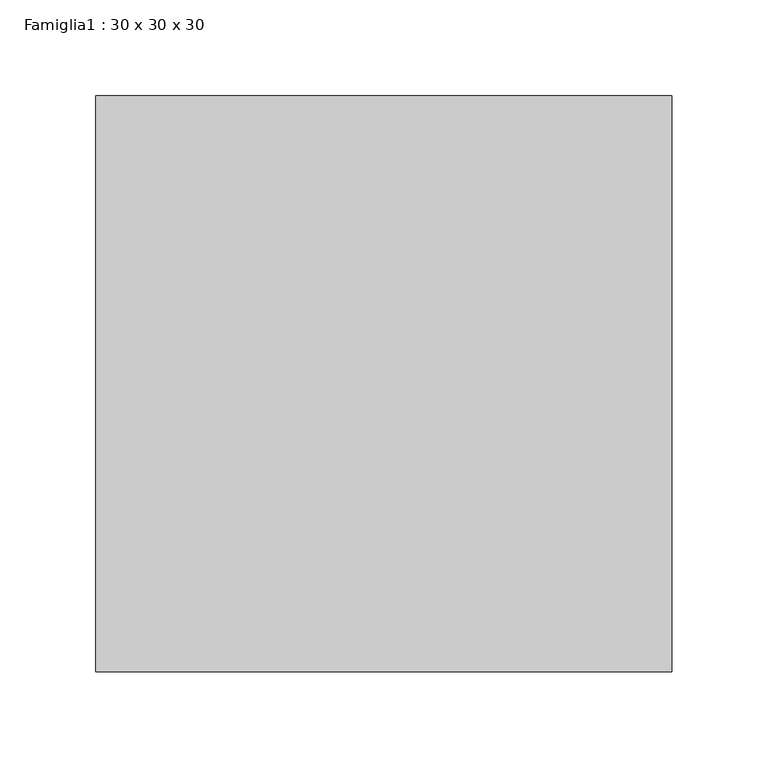
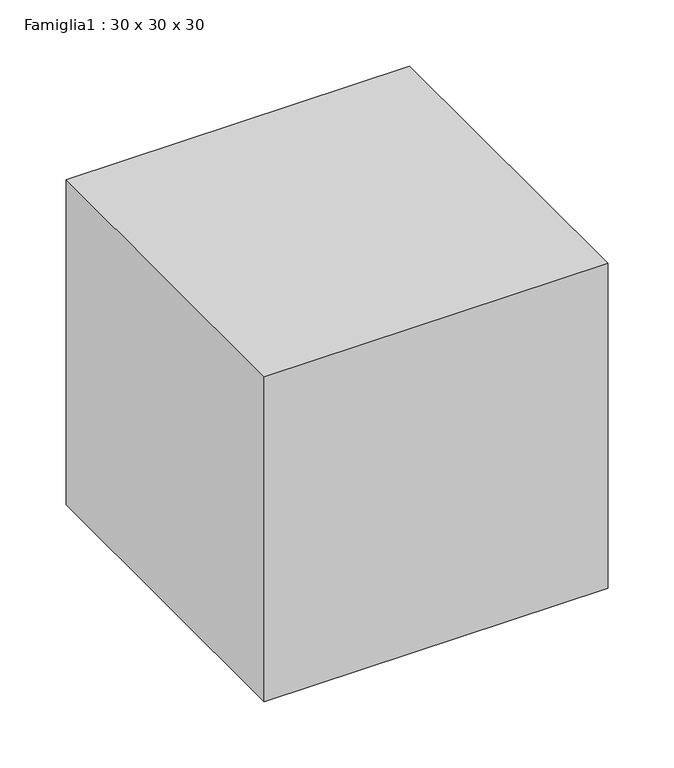
"""IFC4 building model written with IfcOpenShell, lengths in millimetres: proxy geometry, Famiglia1 : 30 x 30 x 30."""

from ifc_helpers import new_model, si_unit, origin, origin_with_axes, place, context, project, spatial, polyline, outline, extrude, source, transform, mapped, element, save


def famiglia1_30_x_30_x_30_e4b0ac10(model_context):
    return source(origin(), model_context, "Body", "SweptSolid", [
        extrude(outline(polyline([(0.0, 0.0), (0.0, 300.0), (300.0, 300.0), (300.0, 0.0), (0.0, 0.0)])), origin_with_axes(), (0.0, 0.0, 1.0), 300.0),
    ])


if __name__ == "__main__":
    model = new_model("IFC4")
    model_context = context("Model", 3, world=origin())
    ifc_project = project(units=[si_unit("LENGTHUNIT", "METRE", prefix="MILLI")], contexts=[model_context])
    site = spatial("IfcSite", under=ifc_project)
    building = spatial("IfcBuilding", under=site)
    placement = place(None, origin())
    famiglia1_30_x_30_x_30_shape = famiglia1_30_x_30_x_30_e4b0ac10(model_context)
    element("IfcBuildingElementProxy", 1, Name="Famiglia1 : 30 x 30 x 30", ObjectType="Famiglia1 : 30 x 30 x 30", at=placement, inside=building, context=model_context, shape_type="MappedRepresentation", body=[
        mapped(famiglia1_30_x_30_x_30_shape, transform((0.0, 0.0, 0.0), x_axis=(1.0, 0.0, 0.0), y_axis=(0.0, 1.0, 0.0), z_axis=(0.0, 0.0, 1.0))),
    ])
    save(model, "model.ifc")
